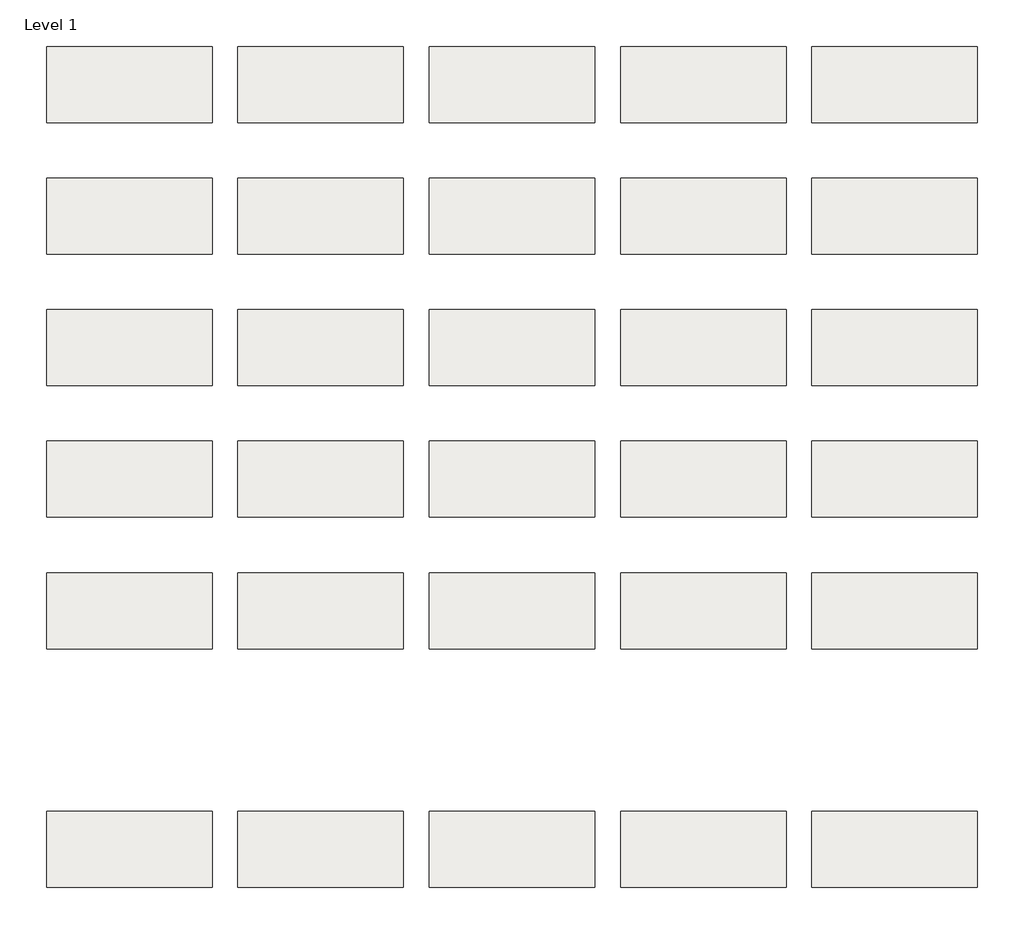
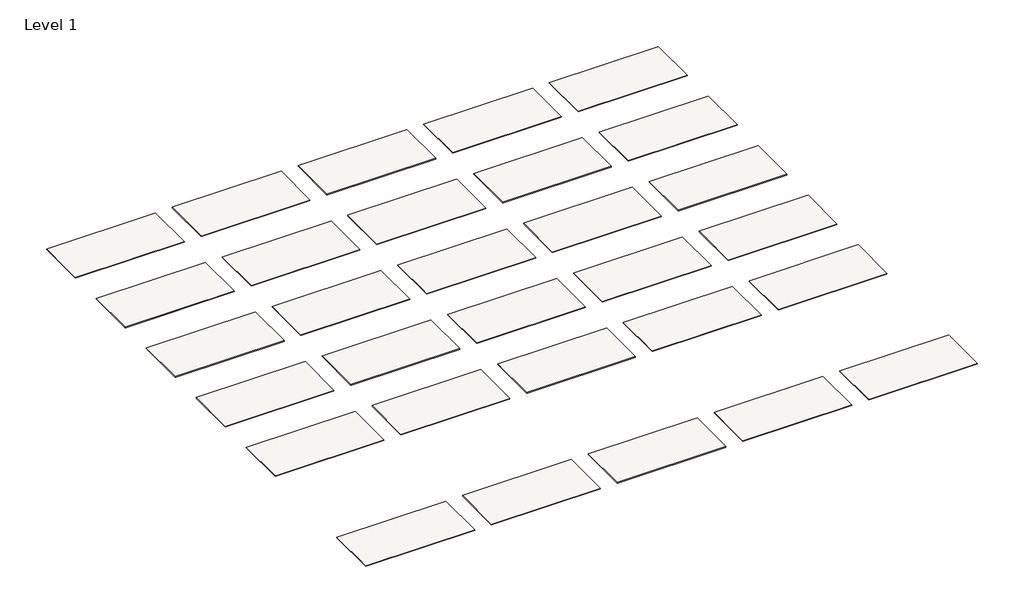
# One storey: 30 roofs.
"""IFC4 building model written with IfcOpenShell, lengths in millimetres."""

import ifcopenshell
import ifcopenshell.guid

model = None  # the IFC model being written
_history = None  # IfcOwnerHistory: only IFC2X3 demands one
_inside = {}  # id of a spatial element -> (the spatial element, [elements in it])
_under = {}  # id of a project, library or spatial element -> (it, [spatial elements below it])
_declared = {}  # id of a project -> (the project, [libraries it declares])
_typed = {}  # id of a type object -> (the type object, [elements of that type])
_made_of = {}  # id of a material, layer set ... -> (it, [elements and type objects made of it])


def new_model(schema):
    """Start an empty IFC model of exactly this schema.

    Asked for "IFC4X3", IfcOpenShell would pick the latest addendum, in which some entities
    have other attributes; the version numbers below select the first issue.
    IFC2X3 requires an IfcOwnerHistory on every rooted entity: one is made here for all.
    """
    global model, _history
    if schema == "IFC4X3":
        model = ifcopenshell.file(schema_version=(4, 3, 0, 0))
    else:
        model = ifcopenshell.file(schema=schema)
    _inside.clear()
    _under.clear()
    _declared.clear()
    _typed.clear()
    _made_of.clear()
    _history = None
    if model.schema == "IFC2X3":
        org = make("IfcOrganization", Name="unknown")
        user = make(
            "IfcPersonAndOrganization",
            ThePerson=make("IfcPerson", FamilyName="unknown"),
            TheOrganization=org,
        )
        app = make(
            "IfcApplication",
            ApplicationDeveloper=org,
            Version="unknown",
            ApplicationFullName="unknown",
            ApplicationIdentifier="unknown",
        )
        _history = make(
            "IfcOwnerHistory",
            OwningUser=user,
            OwningApplication=app,
            ChangeAction="ADDED",
            CreationDate=0,
        )
    return model


def make(cls, **values):
    """One entity of the class cls with the attributes given. An attribute that is None is left unset."""
    return model.create_entity(
        cls, **{name: value for name, value in values.items() if value is not None}
    )


def rooted(cls, **values):
    """An entity with a GlobalId (a new one), such as an element, a storey or a relation."""
    return make(cls, GlobalId=ifcopenshell.guid.new(), OwnerHistory=_history, **values)


def si_unit(unit_type, name, prefix=None):
    """IfcSIUnit, for example si_unit("LENGTHUNIT", "METRE", prefix="MILLI")."""
    return make("IfcSIUnit", UnitType=unit_type, Prefix=prefix, Name=name)


def assignment(units):
    """IfcUnitAssignment: the units of a project."""
    return None if units is None else make("IfcUnitAssignment", Units=units)


def point(xyz):
    """IfcCartesianPoint."""
    return None if xyz is None else make("IfcCartesianPoint", Coordinates=xyz)


def direction(xyz):
    """IfcDirection."""
    return None if xyz is None else make("IfcDirection", DirectionRatios=xyz)


def frame(location, z_axis=None, x_axis=None):
    """IfcAxis2Placement3D, a coordinate frame: its origin and axes. An axis left out is left unset."""
    return make(
        "IfcAxis2Placement3D",
        Location=point(location),
        Axis=direction(z_axis),
        RefDirection=direction(x_axis),
    )


def origin():
    """The frame at (0, 0, 0) with its axes left unset."""
    return frame((0.0, 0.0, 0.0))


def origin_with_axes():
    """The frame at (0, 0, 0) with the z axis (0, 0, 1) and the x axis (1, 0, 0) written out."""
    return frame((0.0, 0.0, 0.0), z_axis=(0.0, 0.0, 1.0), x_axis=(1.0, 0.0, 0.0))


def place(relative_to, where):
    """IfcLocalPlacement: puts the frame where relative to a parent placement (None: the world)."""
    return make(
        "IfcLocalPlacement", PlacementRelTo=relative_to, RelativePlacement=where
    )


def context(
    kind, dimensions, precision=None, world=None, true_north=None, identifier=None
):
    """IfcGeometricRepresentationContext, for example the 3D "Model" context."""
    return make(
        "IfcGeometricRepresentationContext",
        ContextIdentifier=identifier,
        ContextType=kind,
        CoordinateSpaceDimension=dimensions,
        Precision=precision,
        WorldCoordinateSystem=world,
        TrueNorth=true_north,
    )


def project(units=None, contexts=None):
    """IfcProject with its units and contexts."""
    return rooted(
        "IfcProject",
        Name="project",
        RepresentationContexts=contexts,
        UnitsInContext=assignment(units),
    )


def spatial(cls, under=None, at=None, **own):
    """A site, building, storey or space (cls), placed at a placement, below another one or the project."""
    s = rooted(cls, ObjectPlacement=at, **own)
    if under is not None:
        _under.setdefault(under.id(), (under, []))[1].append(s)
    return s


def polyline(points):
    """IfcPolyline through the points."""
    return make("IfcPolyline", Points=[point(p) for p in points])


def outline(outer, holes=None, kind="AREA"):
    """IfcArbitraryClosedProfileDef: a profile drawn as a closed curve; with holes, ...WithVoids."""
    if holes is None:
        return make("IfcArbitraryClosedProfileDef", ProfileType=kind, OuterCurve=outer)
    return make(
        "IfcArbitraryProfileDefWithVoids",
        ProfileType=kind,
        OuterCurve=outer,
        InnerCurves=holes,
    )


def extrude(swept, where, along, depth):
    """IfcExtrudedAreaSolid: the profile swept, set in the frame where, extruded along a direction by depth."""
    return make(
        "IfcExtrudedAreaSolid",
        SweptArea=swept,
        Position=where,
        ExtrudedDirection=direction(along),
        Depth=depth,
    )


def shape(context_of_items, identifier, shape_type, items):
    """IfcShapeRepresentation: the items that make up one representation, for example the "Body"."""
    return make(
        "IfcShapeRepresentation",
        ContextOfItems=context_of_items,
        RepresentationIdentifier=identifier,
        RepresentationType=shape_type,
        Items=items,
    )


def made_of(thing, what):
    """Note that an element or type object is made of a material, layer set ...; save() writes the relation."""
    if what is not None:
        _made_of.setdefault(what.id(), (what, []))[1].append(thing)
    return thing


def element(
    cls,
    number,
    at=None,
    inside=None,
    cuts=None,
    type_object=None,
    material=None,
    context=None,
    identifier="Body",
    shape_type=None,
    held_by="IfcProductDefinitionShape",
    body=None,
    shapes=None,
    **own,
):
    """One element of the class cls, such as IfcWall. Its Tag is "e" and its number.

    at: its placement. inside: the storey or other place that contains it. cuts: it is an
    opening in that element (IfcRelVoidsElement). A single representation is given by context,
    identifier, shape_type and body (its items); several are given by shapes. held_by: the class
    of the entity that holds the representations. save() writes the other relations.
    """
    e = rooted(cls, Tag="e%d" % number, ObjectPlacement=at, **own)
    if body is not None:
        shapes = [shape(context, identifier, shape_type, body)]
    if shapes is not None:
        e.Representation = make(held_by, Representations=shapes)
    if inside is not None:
        _inside.setdefault(inside.id(), (inside, []))[1].append(e)
    if cuts is not None:
        rooted(
            "IfcRelVoidsElement", RelatingBuildingElement=cuts, RelatedOpeningElement=e
        )
    if type_object is not None:
        _typed.setdefault(type_object.id(), (type_object, []))[1].append(e)
    return made_of(e, material)


def aggregate(whole, parts):
    """IfcRelAggregates: a whole, such as a stair, and the parts it consists of."""
    return rooted("IfcRelAggregates", RelatingObject=whole, RelatedObjects=parts)


def save(model, path):
    """Write the relations noted so far, then the file.

    IfcRelAggregates (storeys below a building ...), IfcRelContainedInSpatialStructure (elements
    in a storey), IfcRelDefinesByType, IfcRelAssociatesMaterial and IfcRelDeclares: one each for
    every whole, place, type object, material and project.
    """
    for whole, parts in _under.values():
        aggregate(whole, parts)
    for where, things in _inside.values():
        rooted(
            "IfcRelContainedInSpatialStructure",
            RelatedElements=things,
            RelatingStructure=where,
        )
    for kind, things in _typed.values():
        rooted("IfcRelDefinesByType", RelatedObjects=things, RelatingType=kind)
    for what, things in _made_of.values():
        rooted("IfcRelAssociatesMaterial", RelatedObjects=things, RelatingMaterial=what)
    for by, libraries in _declared.values():
        rooted("IfcRelDeclares", RelatingContext=by, RelatedDefinitions=libraries)
    model.write(path)


model = new_model("IFC4")

# Units and contexts
model_context = context("Model", 3, world=origin())
ifc_project = project(units=[si_unit("LENGTHUNIT", "METRE", prefix="MILLI")], contexts=[model_context])

# Site, building, storey
site = spatial("IfcSite", under=ifc_project)
building = spatial("IfcBuilding", under=site)
storey = spatial("IfcBuildingStorey", under=building, Name="Level 1", Elevation=0.0)

# Roofs
placement = place(None, origin())
element("IfcRoof", 1, at=placement, inside=storey, context=model_context, shape_type="SweptSolid", body=[
    extrude(outline(polyline([(1018.3528827, -1370.5264682), (4117.1528827, -1370.5264682), (4117.1528827, -2792.9264682), (1018.3528827, -2792.9264682), (1018.3528827, -1370.5264682)])), origin_with_axes(), (0.0, 0.0, 1.0), 19.05),
])
element("IfcRoof", 2, at=placement, inside=storey, context=model_context, shape_type="SweptSolid", body=[
    extrude(outline(polyline([(4599.7528827, -1370.5264682), (7698.5528827, -1370.5264682), (7698.5528827, -2792.9264682), (4599.7528827, -2792.9264682), (4599.7528827, -1370.5264682)])), origin_with_axes(), (0.0, 0.0, 1.0), 19.05),
])
element("IfcRoof", 3, at=placement, inside=storey, context=model_context, shape_type="SweptSolid", body=[
    extrude(outline(polyline([(-9725.8471173, 1093.2735318), (-6627.0471173, 1093.2735318), (-6627.0471173, -329.1264682), (-9725.8471173, -329.1264682), (-9725.8471173, 1093.2735318)])), origin_with_axes(), (0.0, 0.0, 1.0), 19.05),
])
element("IfcRoof", 4, at=placement, inside=storey, context=model_context, shape_type="SweptSolid", body=[
    extrude(outline(polyline([(1018.3528827, 1093.2735318), (4117.1528827, 1093.2735318), (4117.1528827, -329.1264682), (1018.3528827, -329.1264682), (1018.3528827, 1093.2735318)])), origin_with_axes(), (0.0, 0.0, 1.0), 19.05),
])
element("IfcRoof", 5, at=placement, inside=storey, context=model_context, shape_type="SweptSolid", body=[
    extrude(outline(polyline([(4599.7528827, 1093.2735318), (7698.5528827, 1093.2735318), (7698.5528827, -329.1264682), (4599.7528827, -329.1264682), (4599.7528827, 1093.2735318)])), origin_with_axes(), (0.0, 0.0, 1.0), 19.05),
])
element("IfcRoof", 6, at=placement, inside=storey, context=model_context, shape_type="SweptSolid", body=[
    extrude(outline(polyline([(-9725.8471173, 3557.0735318), (-6627.0471173, 3557.0735318), (-6627.0471173, 2134.6735318), (-9725.8471173, 2134.6735318), (-9725.8471173, 3557.0735318)])), origin_with_axes(), (0.0, 0.0, 1.0), 19.05),
])
element("IfcRoof", 7, at=placement, inside=storey, context=model_context, shape_type="SweptSolid", body=[
    extrude(outline(polyline([(-2563.0471173, 3557.0735318), (535.7528827, 3557.0735318), (535.7528827, 2134.6735318), (-2563.0471173, 2134.6735318), (-2563.0471173, 3557.0735318)])), origin_with_axes(), (0.0, 0.0, 1.0), 19.05),
])
element("IfcRoof", 8, at=placement, inside=storey, context=model_context, shape_type="SweptSolid", body=[
    extrude(outline(polyline([(1018.3528827, 3557.0735318), (4117.1528827, 3557.0735318), (4117.1528827, 2134.6735318), (1018.3528827, 2134.6735318), (1018.3528827, 3557.0735318)])), origin_with_axes(), (0.0, 0.0, 1.0), 19.05),
])
element("IfcRoof", 9, at=placement, inside=storey, context=model_context, shape_type="SweptSolid", body=[
    extrude(outline(polyline([(4599.7528827, 3557.0735318), (7698.5528827, 3557.0735318), (7698.5528827, 2134.6735318), (4599.7528827, 2134.6735318), (4599.7528827, 3557.0735318)])), origin_with_axes(), (0.0, 0.0, 1.0), 19.05),
])
element("IfcRoof", 10, at=placement, inside=storey, context=model_context, shape_type="SweptSolid", body=[
    extrude(outline(polyline([(-9725.8471173, 6020.8735318), (-6627.0471173, 6020.8735318), (-6627.0471173, 4598.4735318), (-9725.8471173, 4598.4735318), (-9725.8471173, 6020.8735318)])), origin_with_axes(), (0.0, 0.0, 1.0), 19.05),
])
element("IfcRoof", 11, at=placement, inside=storey, context=model_context, shape_type="SweptSolid", body=[
    extrude(outline(polyline([(-6144.4471173, 6020.8735318), (-3045.6471173, 6020.8735318), (-3045.6471173, 4598.4735318), (-6144.4471173, 4598.4735318), (-6144.4471173, 6020.8735318)])), origin_with_axes(), (0.0, 0.0, 1.0), 19.05),
])
element("IfcRoof", 12, at=placement, inside=storey, context=model_context, shape_type="SweptSolid", body=[
    extrude(outline(polyline([(-2563.0471173, 6020.8735318), (535.7528827, 6020.8735318), (535.7528827, 4598.4735318), (-2563.0471173, 4598.4735318), (-2563.0471173, 6020.8735318)])), origin_with_axes(), (0.0, 0.0, 1.0), 19.05),
])
element("IfcRoof", 13, at=placement, inside=storey, context=model_context, shape_type="SweptSolid", body=[
    extrude(outline(polyline([(1018.3528827, 6020.8735318), (4117.1528827, 6020.8735318), (4117.1528827, 4598.4735318), (1018.3528827, 4598.4735318), (1018.3528827, 6020.8735318)])), origin_with_axes(), (0.0, 0.0, 1.0), 19.05),
])
element("IfcRoof", 14, at=placement, inside=storey, context=model_context, shape_type="SweptSolid", body=[
    extrude(outline(polyline([(-6144.4471173, 8484.6735318), (-3045.6471173, 8484.6735318), (-3045.6471173, 7062.2735318), (-6144.4471173, 7062.2735318), (-6144.4471173, 8484.6735318)])), origin_with_axes(), (0.0, 0.0, 1.0), 19.05),
])
element("IfcRoof", 15, at=placement, inside=storey, context=model_context, shape_type="SweptSolid", body=[
    extrude(outline(polyline([(4599.7528827, 8484.6735318), (7698.5528827, 8484.6735318), (7698.5528827, 7062.2735318), (4599.7528827, 7062.2735318), (4599.7528827, 8484.6735318)])), origin_with_axes(), (0.0, 0.0, 1.0), 19.05),
])
element("IfcRoof", 16, at=placement, inside=storey, context=model_context, shape_type="SweptSolid", body=[
    extrude(outline(polyline([(-2563.0471173, -5840.9264682), (535.7528827, -5840.9264682), (535.7528827, -7263.3264682), (-2563.0471173, -7263.3264682), (-2563.0471173, -5840.9264682)])), origin_with_axes(), (0.0, 0.0, 1.0), 19.05),
])
element("IfcRoof", 17, at=placement, inside=storey, context=model_context, shape_type="SweptSolid", body=[
    extrude(outline(polyline([(4599.7528827, -5840.9264682), (7698.5528827, -5840.9264682), (7698.5528827, -7263.3264682), (4599.7528827, -7263.3264682), (4599.7528827, -5840.9264682)])), origin_with_axes(), (0.0, 0.0, 1.0), 19.05),
])
element("IfcRoof", 18, ObjectType="Metal - Fabral - PBU Panel - 36\" - 22 ga. Steel - Almond", at=placement, inside=storey, context=model_context, shape_type="SweptSolid", body=[
    extrude(outline(polyline([(-9725.8471173, -1370.5264682), (-6627.0471173, -1370.5264682), (-6627.0471173, -2792.9264682), (-9725.8471173, -2792.9264682), (-9725.8471173, -1370.5264682)])), origin_with_axes(), (0.0, 0.0, 1.0), 19.05),
])
element("IfcRoof", 19, ObjectType="Metal - Fabral - PBU Panel - 36\" - 22 ga. Steel - Banner Red", at=placement, inside=storey, context=model_context, shape_type="SweptSolid", body=[
    extrude(outline(polyline([(-6144.4471173, -1370.5264682), (-3045.6471173, -1370.5264682), (-3045.6471173, -2792.9264682), (-6144.4471173, -2792.9264682), (-6144.4471173, -1370.5264682)])), origin_with_axes(), (0.0, 0.0, 1.0), 19.05),
])
element("IfcRoof", 20, ObjectType="Metal - Fabral - PBU Panel - 36\" - 22 ga. Steel - Bone White", at=placement, inside=storey, context=model_context, shape_type="SweptSolid", body=[
    extrude(outline(polyline([(-2563.0471173, -1370.5264682), (535.7528827, -1370.5264682), (535.7528827, -2792.9264682), (-2563.0471173, -2792.9264682), (-2563.0471173, -1370.5264682)])), origin_with_axes(), (0.0, 0.0, 1.0), 19.05),
])
element("IfcRoof", 21, ObjectType="Metal - Fabral - PBU Panel - 36\" - 22 ga. Steel - Champagne", at=placement, inside=storey, context=model_context, shape_type="SweptSolid", body=[
    extrude(outline(polyline([(-6144.4471173, 1093.2735318), (-3045.6471173, 1093.2735318), (-3045.6471173, -329.1264682), (-6144.4471173, -329.1264682), (-6144.4471173, 1093.2735318)])), origin_with_axes(), (0.0, 0.0, 1.0), 19.05),
])
element("IfcRoof", 22, ObjectType="Metal - Fabral - PBU Panel - 36\" - 22 ga. Steel - Charcoal", at=placement, inside=storey, context=model_context, shape_type="SweptSolid", body=[
    extrude(outline(polyline([(-2563.0471173, 1093.2735318), (535.7528827, 1093.2735318), (535.7528827, -329.1264682), (-2563.0471173, -329.1264682), (-2563.0471173, 1093.2735318)])), origin_with_axes(), (0.0, 0.0, 1.0), 19.05),
])
element("IfcRoof", 23, ObjectType="Metal - Fabral - PBU Panel - 36\" - 22 ga. Steel - Dove Gray", at=placement, inside=storey, context=model_context, shape_type="SweptSolid", body=[
    extrude(outline(polyline([(-6144.4471173, 3557.0735318), (-3045.6471173, 3557.0735318), (-3045.6471173, 2134.6735318), (-6144.4471173, 2134.6735318), (-6144.4471173, 3557.0735318)])), origin_with_axes(), (0.0, 0.0, 1.0), 19.05),
])
element("IfcRoof", 24, ObjectType="Metal - Fabral - PBU Panel - 36\" - 22 ga. Steel - Pewter", at=placement, inside=storey, context=model_context, shape_type="SweptSolid", body=[
    extrude(outline(polyline([(4599.7528827, 6020.8735318), (7698.5528827, 6020.8735318), (7698.5528827, 4598.4735318), (4599.7528827, 4598.4735318), (4599.7528827, 6020.8735318)])), origin_with_axes(), (0.0, 0.0, 1.0), 19.05),
])
element("IfcRoof", 25, ObjectType="Metal - Fabral - PBU Panel - 36\" - 22 ga. Steel - Regal Blue", at=placement, inside=storey, context=model_context, shape_type="SweptSolid", body=[
    extrude(outline(polyline([(-9725.8471173, 8484.6735318), (-6627.0471173, 8484.6735318), (-6627.0471173, 7062.2735318), (-9725.8471173, 7062.2735318), (-9725.8471173, 8484.6735318)])), origin_with_axes(), (0.0, 0.0, 1.0), 19.05),
])
element("IfcRoof", 26, ObjectType="Metal - Fabral - PBU Panel - 36\" - 22 ga. Steel - Sandstone", at=placement, inside=storey, context=model_context, shape_type="SweptSolid", body=[
    extrude(outline(polyline([(-2563.0471173, 8484.6735318), (535.7528827, 8484.6735318), (535.7528827, 7062.2735318), (-2563.0471173, 7062.2735318), (-2563.0471173, 8484.6735318)])), origin_with_axes(), (0.0, 0.0, 1.0), 19.05),
])
element("IfcRoof", 27, ObjectType="Metal - Fabral - PBU Panel - 36\" - 22 ga. Steel - Sierra Tan", at=placement, inside=storey, context=model_context, shape_type="SweptSolid", body=[
    extrude(outline(polyline([(1018.3528827, 8484.6735318), (4117.1528827, 8484.6735318), (4117.1528827, 7062.2735318), (1018.3528827, 7062.2735318), (1018.3528827, 8484.6735318)])), origin_with_axes(), (0.0, 0.0, 1.0), 19.05),
])
element("IfcRoof", 28, ObjectType="Metal - Fabral - PBU Panel - 36\" - 22 ga. Steel - Slate Blue", at=placement, inside=storey, context=model_context, shape_type="SweptSolid", body=[
    extrude(outline(polyline([(-9725.8471173, -5840.9264682), (-6627.0471173, -5840.9264682), (-6627.0471173, -7263.3264682), (-9725.8471173, -7263.3264682), (-9725.8471173, -5840.9264682)])), origin_with_axes(), (0.0, 0.0, 1.0), 19.05),
])
element("IfcRoof", 29, ObjectType="Metal - Fabral - PBU Panel - 36\" - 22 ga. Steel - Slate Gray", at=placement, inside=storey, context=model_context, shape_type="SweptSolid", body=[
    extrude(outline(polyline([(-6144.4471173, -5840.9264682), (-3045.6471173, -5840.9264682), (-3045.6471173, -7263.3264682), (-6144.4471173, -7263.3264682), (-6144.4471173, -5840.9264682)])), origin_with_axes(), (0.0, 0.0, 1.0), 19.05),
])
element("IfcRoof", 30, ObjectType="Metal - Fabral - PBU Panel - 36\" - 22 ga. Steel - Teal", at=placement, inside=storey, context=model_context, shape_type="SweptSolid", body=[
    extrude(outline(polyline([(1018.3528827, -5840.9264682), (4117.1528827, -5840.9264682), (4117.1528827, -7263.3264682), (1018.3528827, -7263.3264682), (1018.3528827, -5840.9264682)])), origin_with_axes(), (0.0, 0.0, 1.0), 19.05),
])

save(model, "model.ifc")
